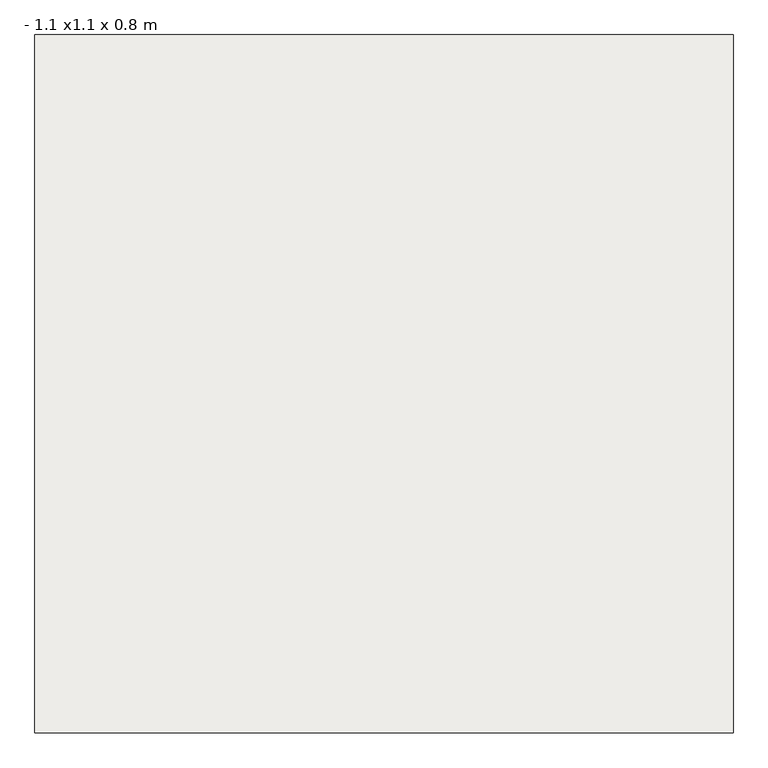
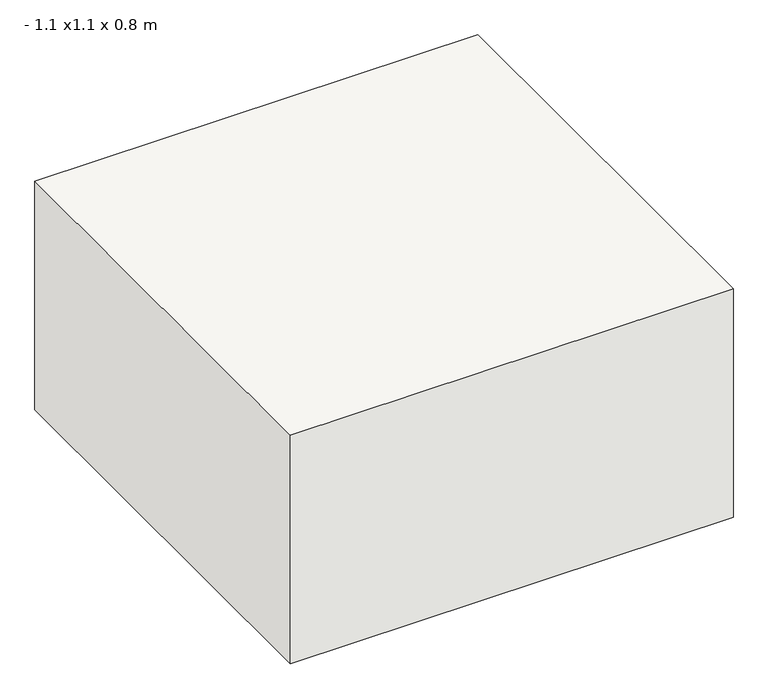
"""IFC4 building model written with IfcOpenShell, lengths in millimetres: slab geometry, - 1.1 x1.1 x 0.8 m."""

from ifc_helpers import new_model, si_unit, frame, origin, place, context, project, spatial, polyline, outline, extrude, source, transform, mapped, element, save


def slab_1_1_x1_1_x_0_8_m_0ae87936(model_context):
    return source(origin(), model_context, "Body", "SweptSolid", [
        extrude(outline(polyline([(550.0, 550.0), (550.0, -550.0), (-550.0, -550.0), (-550.0, 550.0), (550.0, 550.0)])), frame((0.0, 0.0, -600.0), z_axis=(0.0, 0.0, 1.0), x_axis=(1.0, 0.0, 0.0)), (0.0, 0.0, 1.0), 600.0),
    ])


if __name__ == "__main__":
    model = new_model("IFC4")
    model_context = context("Model", 3, world=origin())
    ifc_project = project(units=[si_unit("LENGTHUNIT", "METRE", prefix="MILLI")], contexts=[model_context])
    site = spatial("IfcSite", under=ifc_project)
    building = spatial("IfcBuilding", under=site)
    placement = place(None, origin())
    slab_1_1_x1_1_x_0_8_m_shape = slab_1_1_x1_1_x_0_8_m_0ae87936(model_context)
    element("IfcSlab", 1, ObjectType="- 1.1 x1.1 x 0.8 m", at=placement, inside=building, context=model_context, shape_type="MappedRepresentation", body=[
        mapped(slab_1_1_x1_1_x_0_8_m_shape, transform((0.0, 0.0, 0.0), x_axis=(1.0, 0.0, 0.0), y_axis=(0.0, 1.0, 0.0), z_axis=(0.0, 0.0, 1.0))),
    ])
    save(model, "model.ifc")
